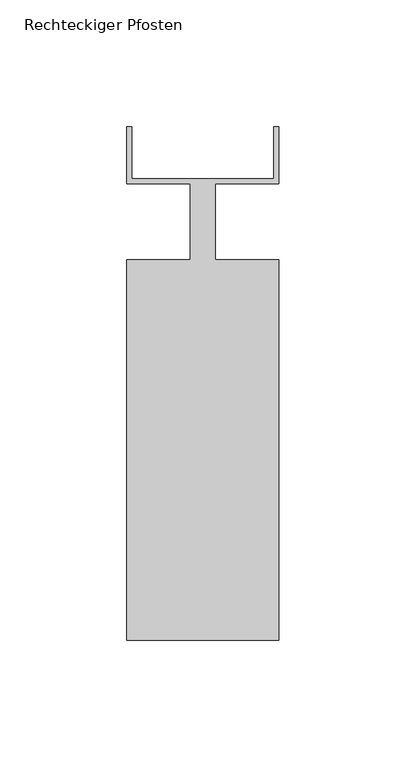
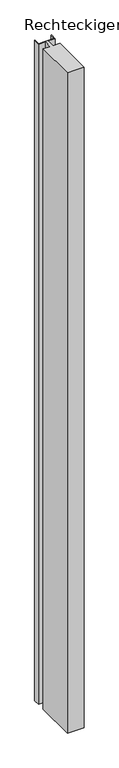
"""IFC4 building model written with IfcOpenShell, lengths in millimetres: member geometry, Rechteckiger Pfosten."""

from ifc_helpers import new_model, si_unit, frame, origin, place, context, project, spatial, polyline, outline, extrude, source, transform, mapped, element, save


def rechteckiger_pfosten_641cb624(model_context):
    return source(origin(), model_context, "Body", "SweptSolid", [
        extrude(outline(polyline([(-2.0, 37.5), (0.0, 37.5), (0.0, 15.0), (-25.0, 15.0), (-25.0, -15.0), (0.0, -15.0), (0.0, -165.0), (-60.0, -165.0), (-60.0, -15.0), (-35.0, -15.0), (-35.0, 15.0), (-60.0, 15.0), (-60.0, 37.5), (-58.0, 37.5), (-58.0, 17.0), (-2.0, 17.0), (-2.0, 37.5)])), frame((0.0, 0.0, -2499.9999997), z_axis=(0.0, 0.0, 1.0), x_axis=(1.0, 0.0, 0.0)), (0.0, 0.0, 1.0), 2499.9999997),
    ])


if __name__ == "__main__":
    model = new_model("IFC4")
    model_context = context("Model", 3, world=origin())
    ifc_project = project(units=[si_unit("LENGTHUNIT", "METRE", prefix="MILLI")], contexts=[model_context])
    site = spatial("IfcSite", under=ifc_project)
    building = spatial("IfcBuilding", under=site)
    placement = place(None, origin())
    rechteckiger_pfosten_shape = rechteckiger_pfosten_641cb624(model_context)
    element("IfcMember", 1, ObjectType="Rechteckiger Pfosten", at=placement, inside=building, context=model_context, shape_type="MappedRepresentation", body=[
        mapped(rechteckiger_pfosten_shape, transform((0.0, 0.0, 0.0), x_axis=(1.0, 0.0, 0.0), y_axis=(0.0, 1.0, 0.0), z_axis=(0.0, 0.0, 1.0))),
    ])
    save(model, "model.ifc")
